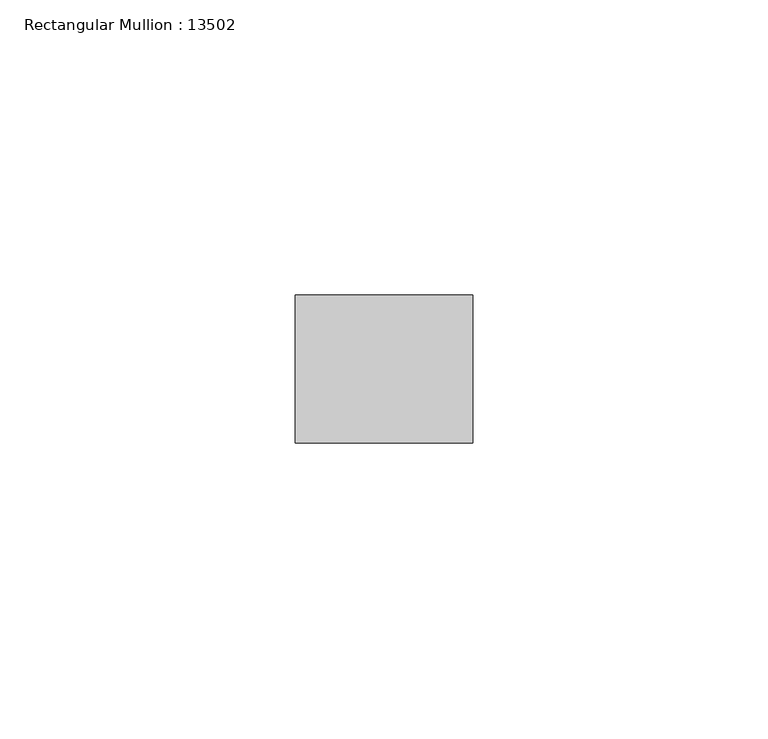
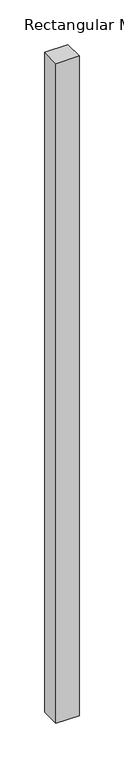
"""IFC4 building model written with IfcOpenShell, lengths in millimetres: member geometry, Rectangular Mullion : 13502."""

import ifcopenshell
import ifcopenshell.guid

model = None  # the IFC model being written
_history = None  # IfcOwnerHistory: only IFC2X3 demands one
_inside = {}  # id of a spatial element -> (the spatial element, [elements in it])
_under = {}  # id of a project, library or spatial element -> (it, [spatial elements below it])
_declared = {}  # id of a project -> (the project, [libraries it declares])
_typed = {}  # id of a type object -> (the type object, [elements of that type])
_made_of = {}  # id of a material, layer set ... -> (it, [elements and type objects made of it])


def new_model(schema):
    """Start an empty IFC model of exactly this schema.

    Asked for "IFC4X3", IfcOpenShell would pick the latest addendum, in which some entities
    have other attributes; the version numbers below select the first issue.
    IFC2X3 requires an IfcOwnerHistory on every rooted entity: one is made here for all.
    """
    global model, _history
    if schema == "IFC4X3":
        model = ifcopenshell.file(schema_version=(4, 3, 0, 0))
    else:
        model = ifcopenshell.file(schema=schema)
    _inside.clear()
    _under.clear()
    _declared.clear()
    _typed.clear()
    _made_of.clear()
    _history = None
    if model.schema == "IFC2X3":
        org = make("IfcOrganization", Name="unknown")
        user = make(
            "IfcPersonAndOrganization",
            ThePerson=make("IfcPerson", FamilyName="unknown"),
            TheOrganization=org,
        )
        app = make(
            "IfcApplication",
            ApplicationDeveloper=org,
            Version="unknown",
            ApplicationFullName="unknown",
            ApplicationIdentifier="unknown",
        )
        _history = make(
            "IfcOwnerHistory",
            OwningUser=user,
            OwningApplication=app,
            ChangeAction="ADDED",
            CreationDate=0,
        )
    return model


def make(cls, **values):
    """One entity of the class cls with the attributes given. An attribute that is None is left unset."""
    return model.create_entity(
        cls, **{name: value for name, value in values.items() if value is not None}
    )


def rooted(cls, **values):
    """An entity with a GlobalId (a new one), such as an element, a storey or a relation."""
    return make(cls, GlobalId=ifcopenshell.guid.new(), OwnerHistory=_history, **values)


def si_unit(unit_type, name, prefix=None):
    """IfcSIUnit, for example si_unit("LENGTHUNIT", "METRE", prefix="MILLI")."""
    return make("IfcSIUnit", UnitType=unit_type, Prefix=prefix, Name=name)


def assignment(units):
    """IfcUnitAssignment: the units of a project."""
    return None if units is None else make("IfcUnitAssignment", Units=units)


def point(xyz):
    """IfcCartesianPoint."""
    return None if xyz is None else make("IfcCartesianPoint", Coordinates=xyz)


def direction(xyz):
    """IfcDirection."""
    return None if xyz is None else make("IfcDirection", DirectionRatios=xyz)


def frame(location, z_axis=None, x_axis=None):
    """IfcAxis2Placement3D, a coordinate frame: its origin and axes. An axis left out is left unset."""
    return make(
        "IfcAxis2Placement3D",
        Location=point(location),
        Axis=direction(z_axis),
        RefDirection=direction(x_axis),
    )


def origin():
    """The frame at (0, 0, 0) with its axes left unset."""
    return frame((0.0, 0.0, 0.0))


def place(relative_to, where):
    """IfcLocalPlacement: puts the frame where relative to a parent placement (None: the world)."""
    return make(
        "IfcLocalPlacement", PlacementRelTo=relative_to, RelativePlacement=where
    )


def context(
    kind, dimensions, precision=None, world=None, true_north=None, identifier=None
):
    """IfcGeometricRepresentationContext, for example the 3D "Model" context."""
    return make(
        "IfcGeometricRepresentationContext",
        ContextIdentifier=identifier,
        ContextType=kind,
        CoordinateSpaceDimension=dimensions,
        Precision=precision,
        WorldCoordinateSystem=world,
        TrueNorth=true_north,
    )


def project(units=None, contexts=None):
    """IfcProject with its units and contexts."""
    return rooted(
        "IfcProject",
        Name="project",
        RepresentationContexts=contexts,
        UnitsInContext=assignment(units),
    )


def spatial(cls, under=None, at=None, **own):
    """A site, building, storey or space (cls), placed at a placement, below another one or the project."""
    s = rooted(cls, ObjectPlacement=at, **own)
    if under is not None:
        _under.setdefault(under.id(), (under, []))[1].append(s)
    return s


def polyline(points):
    """IfcPolyline through the points."""
    return make("IfcPolyline", Points=[point(p) for p in points])


def outline(outer, holes=None, kind="AREA"):
    """IfcArbitraryClosedProfileDef: a profile drawn as a closed curve; with holes, ...WithVoids."""
    if holes is None:
        return make("IfcArbitraryClosedProfileDef", ProfileType=kind, OuterCurve=outer)
    return make(
        "IfcArbitraryProfileDefWithVoids",
        ProfileType=kind,
        OuterCurve=outer,
        InnerCurves=holes,
    )


def extrude(swept, where, along, depth):
    """IfcExtrudedAreaSolid: the profile swept, set in the frame where, extruded along a direction by depth."""
    return make(
        "IfcExtrudedAreaSolid",
        SweptArea=swept,
        Position=where,
        ExtrudedDirection=direction(along),
        Depth=depth,
    )


def shape(context_of_items, identifier, shape_type, items):
    """IfcShapeRepresentation: the items that make up one representation, for example the "Body"."""
    return make(
        "IfcShapeRepresentation",
        ContextOfItems=context_of_items,
        RepresentationIdentifier=identifier,
        RepresentationType=shape_type,
        Items=items,
    )


def source(mapping_origin, context_of_items, identifier, shape_type, items):
    """IfcRepresentationMap: a shape defined once, which mapped items show again and again."""
    return make(
        "IfcRepresentationMap",
        MappingOrigin=mapping_origin,
        MappedRepresentation=shape(context_of_items, identifier, shape_type, items),
    )


def transform(
    local_origin,
    x_axis=None,
    y_axis=None,
    z_axis=None,
    scale=None,
    scale2=None,
    scale3=None,
    uniform=True,
):
    """IfcCartesianTransformationOperator3D, or its non-uniform kind. x_axis, y_axis, z_axis: its Axis1, 2, 3."""
    if uniform:
        return make(
            "IfcCartesianTransformationOperator3D",
            Axis1=direction(x_axis),
            Axis2=direction(y_axis),
            LocalOrigin=point(local_origin),
            Scale=scale,
            Axis3=direction(z_axis),
        )
    return make(
        "IfcCartesianTransformationOperator3DnonUniform",
        Axis1=direction(x_axis),
        Axis2=direction(y_axis),
        LocalOrigin=point(local_origin),
        Scale=scale,
        Axis3=direction(z_axis),
        Scale2=scale2,
        Scale3=scale3,
    )


def mapped(mapping_source, mapping_target):
    """IfcMappedItem: shows the shape of a source again, moved by a transform."""
    return make(
        "IfcMappedItem", MappingSource=mapping_source, MappingTarget=mapping_target
    )


def made_of(thing, what):
    """Note that an element or type object is made of a material, layer set ...; save() writes the relation."""
    if what is not None:
        _made_of.setdefault(what.id(), (what, []))[1].append(thing)
    return thing


def element(
    cls,
    number,
    at=None,
    inside=None,
    cuts=None,
    type_object=None,
    material=None,
    context=None,
    identifier="Body",
    shape_type=None,
    held_by="IfcProductDefinitionShape",
    body=None,
    shapes=None,
    **own,
):
    """One element of the class cls, such as IfcWall. Its Tag is "e" and its number.

    at: its placement. inside: the storey or other place that contains it. cuts: it is an
    opening in that element (IfcRelVoidsElement). A single representation is given by context,
    identifier, shape_type and body (its items); several are given by shapes. held_by: the class
    of the entity that holds the representations. save() writes the other relations.
    """
    e = rooted(cls, Tag="e%d" % number, ObjectPlacement=at, **own)
    if body is not None:
        shapes = [shape(context, identifier, shape_type, body)]
    if shapes is not None:
        e.Representation = make(held_by, Representations=shapes)
    if inside is not None:
        _inside.setdefault(inside.id(), (inside, []))[1].append(e)
    if cuts is not None:
        rooted(
            "IfcRelVoidsElement", RelatingBuildingElement=cuts, RelatedOpeningElement=e
        )
    if type_object is not None:
        _typed.setdefault(type_object.id(), (type_object, []))[1].append(e)
    return made_of(e, material)


def aggregate(whole, parts):
    """IfcRelAggregates: a whole, such as a stair, and the parts it consists of."""
    return rooted("IfcRelAggregates", RelatingObject=whole, RelatedObjects=parts)


def save(model, path):
    """Write the relations noted so far, then the file.

    IfcRelAggregates (storeys below a building ...), IfcRelContainedInSpatialStructure (elements
    in a storey), IfcRelDefinesByType, IfcRelAssociatesMaterial and IfcRelDeclares: one each for
    every whole, place, type object, material and project.
    """
    for whole, parts in _under.values():
        aggregate(whole, parts)
    for where, things in _inside.values():
        rooted(
            "IfcRelContainedInSpatialStructure",
            RelatedElements=things,
            RelatingStructure=where,
        )
    for kind, things in _typed.values():
        rooted("IfcRelDefinesByType", RelatedObjects=things, RelatingType=kind)
    for what, things in _made_of.values():
        rooted("IfcRelAssociatesMaterial", RelatedObjects=things, RelatingMaterial=what)
    for by, libraries in _declared.values():
        rooted("IfcRelDeclares", RelatingContext=by, RelatedDefinitions=libraries)
    model.write(path)


def rectangular_mullion_13502_6cf88ec3(model_context):
    return source(origin(), model_context, "Body", "SweptSolid", [
        extrude(outline(polyline([(-29.9999993, 12.5), (0.0, 12.5), (0.0, -12.5), (-29.9999993, -12.5), (-29.9999993, 12.5)])), frame((0.0, 0.0, -900.0), z_axis=(0.0, 0.0, 1.0), x_axis=(1.0, 0.0, 0.0)), (0.0, 0.0, 1.0), 900.0),
    ])


if __name__ == "__main__":
    model = new_model("IFC4")
    model_context = context("Model", 3, world=origin())
    ifc_project = project(units=[si_unit("LENGTHUNIT", "METRE", prefix="MILLI")], contexts=[model_context])
    site = spatial("IfcSite", under=ifc_project)
    building = spatial("IfcBuilding", under=site)
    placement = place(None, origin())
    rectangular_mullion_13502_shape = rectangular_mullion_13502_6cf88ec3(model_context)
    element("IfcMember", 1, ObjectType="Rectangular Mullion : 13502", at=placement, inside=building, context=model_context, shape_type="MappedRepresentation", body=[
        mapped(rectangular_mullion_13502_shape, transform((0.0, 0.0, 0.0), x_axis=(1.0, 0.0, 0.0), y_axis=(0.0, 1.0, 0.0), z_axis=(0.0, 0.0, 1.0))),
    ])
    save(model, "model.ifc")
